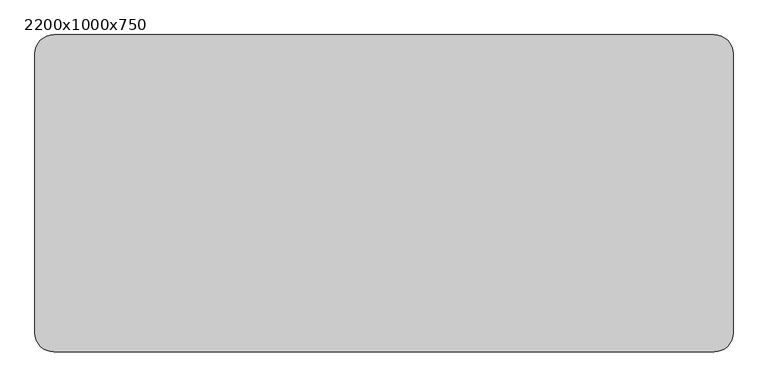
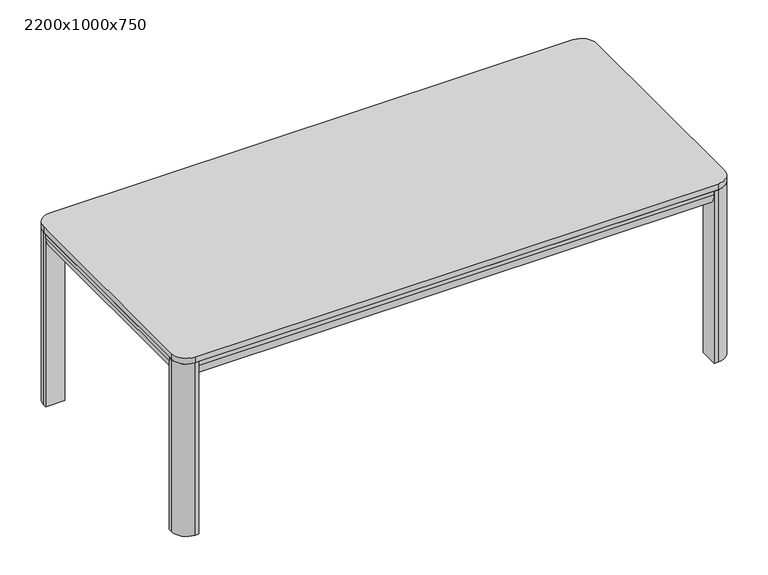
"""IFC4 building model written with IfcOpenShell, lengths in millimetres: furniture geometry, 2200x1000x750."""

from ifc_helpers import new_model, si_unit, point, frame, frame_2d, origin, origin_with_axes, place, context, project, spatial, polyline, circle_curve, trimmed, segment, composite_curve, outline, extrude, source, transform, mapped, element, save


def furniture_2200x1000x750_25f4b419(model_context):
    return source(origin(), model_context, "Body", "SweptSolid", [
        extrude(outline(composite_curve([segment(polyline([(725.0, 75.0), (725.0, 0.0), (710.0, 0.0)]), True, "CONTINUOUS"), segment(trimmed(circle_curve(frame_2d((710.0, 60.0)), 60.0), [point((710.0, 0.0))], [point((650.0, 60.0))], False, "CARTESIAN"), True, "CONTINUOUS"), segment(polyline([(650.0, 60.0), (650.0, 75.0), (725.0, 75.0)]), True, "CONTINUOUS")], self_intersect=False)), frame((0.0, -925.0, 0.0), z_axis=(0.0, 1.0, 0.0), x_axis=(0.0, 0.0, 1.0)), (0.0, 0.0, 1.0), 850.0),
        extrude(outline(composite_curve([segment(polyline([(-75.0, 725.0), (0.0, 725.0), (0.0, 710.0)]), True, "CONTINUOUS"), segment(trimmed(circle_curve(frame_2d((-60.0, 710.0)), 60.0), [point((0.0, 710.0))], [point((-60.0, 650.0))], False, "CARTESIAN"), True, "CONTINUOUS"), segment(polyline([(-60.0, 650.0), (-75.0, 650.0), (-75.0, 725.0)]), True, "CONTINUOUS")], self_intersect=False)), frame((75.0, 0.0, 0.0), z_axis=(1.0, 0.0, 0.0), x_axis=(0.0, 1.0, 0.0)), (0.0, 0.0, 1.0), 2050.0),
        extrude(outline(composite_curve([segment(polyline([(725.0, 2125.0), (650.0, 2125.0), (650.0, 2140.0)]), True, "CONTINUOUS"), segment(trimmed(circle_curve(frame_2d((710.0, 2140.0)), 60.0), [point((650.0, 2140.0))], [point((710.0, 2200.0))], False, "CARTESIAN"), True, "CONTINUOUS"), segment(polyline([(710.0, 2200.0), (725.0, 2200.0), (725.0, 2125.0)]), True, "CONTINUOUS")], self_intersect=False)), frame((0.0, -925.0, 0.0), z_axis=(0.0, 1.0, 0.0), x_axis=(0.0, 0.0, 1.0)), (0.0, 0.0, 1.0), 850.0),
        extrude(outline(composite_curve([segment(trimmed(circle_curve(frame_2d((2140.0, -940.0)), 60.0), [point((2200.0, -940.0))], [point((2140.0, -1000.0))], False, "CARTESIAN"), True, "CONTINUOUS"), segment(polyline([(2140.0, -1000.0), (2125.0, -1000.0), (2125.0, -925.0), (2200.0, -925.0), (2200.0, -940.0)]), True, "CONTINUOUS")], self_intersect=False)), origin_with_axes(), (0.0, 0.0, 1.0), 725.0),
        extrude(outline(composite_curve([segment(trimmed(circle_curve(frame_2d((60.0, -940.0)), 60.0), [point((60.0, -1000.0))], [point((0.0, -940.0))], False, "CARTESIAN"), True, "CONTINUOUS"), segment(polyline([(0.0, -940.0), (0.0, -925.0), (75.0, -925.0), (75.0, -1000.0), (60.0, -1000.0)]), True, "CONTINUOUS")], self_intersect=False)), origin_with_axes(), (0.0, 0.0, 1.0), 725.0),
        extrude(outline(composite_curve([segment(trimmed(circle_curve(frame_2d((2140.0, -60.0)), 60.0), [point((2140.0, 0.0))], [point((2200.0, -60.0))], False, "CARTESIAN"), True, "CONTINUOUS"), segment(polyline([(2200.0, -60.0), (2200.0, -75.0), (2125.0, -75.0), (2125.0, 0.0), (2140.0, 0.0)]), True, "CONTINUOUS")], self_intersect=False)), origin_with_axes(), (0.0, 0.0, 1.0), 725.0),
        extrude(outline(composite_curve([segment(trimmed(circle_curve(frame_2d((60.0, -60.0)), 60.0), [point((0.0, -60.0))], [point((60.0, 0.0))], False, "CARTESIAN"), True, "CONTINUOUS"), segment(polyline([(60.0, 0.0), (75.0, 0.0), (75.0, -75.0), (0.0, -75.0), (0.0, -60.0)]), True, "CONTINUOUS")], self_intersect=False)), origin_with_axes(), (0.0, 0.0, 1.0), 725.0),
        extrude(outline(composite_curve([segment(polyline([(-925.0, 725.0), (-925.0, 650.0), (-940.0, 650.0)]), True, "CONTINUOUS"), segment(trimmed(circle_curve(frame_2d((-940.0, 710.0)), 60.0), [point((-940.0, 650.0))], [point((-1000.0, 710.0))], False, "CARTESIAN"), True, "CONTINUOUS"), segment(polyline([(-1000.0, 710.0), (-1000.0, 725.0), (-925.0, 725.0)]), True, "CONTINUOUS")], self_intersect=False)), frame((75.0, 0.0, 0.0), z_axis=(1.0, 0.0, 0.0), x_axis=(0.0, 1.0, 0.0)), (0.0, 0.0, 1.0), 2050.0),
        extrude(outline(composite_curve([segment(trimmed(circle_curve(frame_2d((2140.0, -60.0)), 60.0), [point((2140.0, 0.0))], [point((2200.0, -60.0))], False, "CARTESIAN"), True, "CONTINUOUS"), segment(polyline([(2200.0, -60.0), (2200.0, -940.0)]), True, "CONTINUOUS"), segment(trimmed(circle_curve(frame_2d((2140.0, -940.0)), 60.0), [point((2200.0, -940.0))], [point((2140.0, -1000.0))], False, "CARTESIAN"), True, "CONTINUOUS"), segment(polyline([(2140.0, -1000.0), (60.0, -1000.0)]), True, "CONTINUOUS"), segment(trimmed(circle_curve(frame_2d((60.0, -940.0)), 60.0), [point((60.0, -1000.0))], [point((0.0, -940.0))], False, "CARTESIAN"), True, "CONTINUOUS"), segment(polyline([(0.0, -940.0), (0.0, -60.0)]), True, "CONTINUOUS"), segment(trimmed(circle_curve(frame_2d((60.0, -60.0)), 60.0), [point((0.0, -60.0))], [point((60.0, 0.0))], False, "CARTESIAN"), True, "CONTINUOUS"), segment(polyline([(60.0, 0.0), (2140.0, 0.0)]), True, "CONTINUOUS")], self_intersect=False)), frame((0.0, 0.0, 725.0), z_axis=(0.0, 0.0, 1.0), x_axis=(1.0, 0.0, 0.0)), (0.0, 0.0, 1.0), 25.0),
    ])


if __name__ == "__main__":
    model = new_model("IFC4")
    model_context = context("Model", 3, world=origin())
    ifc_project = project(units=[si_unit("LENGTHUNIT", "METRE", prefix="MILLI")], contexts=[model_context])
    site = spatial("IfcSite", under=ifc_project)
    building = spatial("IfcBuilding", under=site)
    placement = place(None, origin())
    furniture_2200x1000x750_shape = furniture_2200x1000x750_25f4b419(model_context)
    element("IfcFurniture", 1, ObjectType="2200x1000x750", at=placement, inside=building, context=model_context, shape_type="MappedRepresentation", body=[
        mapped(furniture_2200x1000x750_shape, transform((0.0, 0.0, 0.0), x_axis=(1.0, 0.0, 0.0), y_axis=(0.0, 1.0, 0.0), z_axis=(0.0, 0.0, 1.0))),
    ])
    save(model, "model.ifc")
